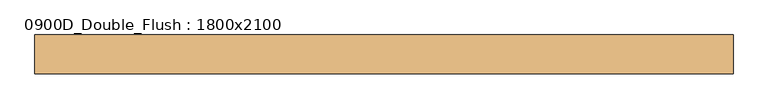
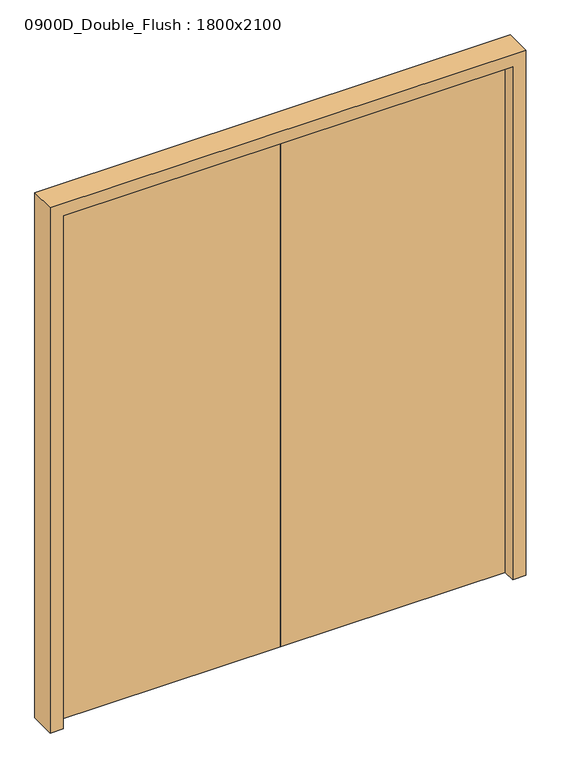
"""IFC4 building model written with IfcOpenShell, lengths in millimetres: door geometry, 0900D_Double_Flush : 1800x2100."""

from ifc_helpers import new_model, si_unit, origin, origin_with_axes, place, context, project, spatial, polyline, outline, extrude, faceted_brep, source, transform, mapped, element, save


def door_0900d_double_flush_1800x2100_c02a7b3c(model_context):
    return source(origin(), model_context, "Body", "SolidModel", [
        faceted_brep([(875.0, 276.6159807, 0.0), (825.0, 276.6159807, 0.0), (825.0, 326.6159807, 0.0), (850.0, 326.6159807, 0.0), (850.0, 376.6159807, 0.0), (875.0, 376.6159807, 0.0), (875.0, 276.6159807, 2100.0), (-925.0, 276.6159807, 2100.0), (-925.0, 276.6159807, 0.0), (-875.0, 276.6159807, 0.0), (-875.0, 276.6159807, 2050.0), (825.0, 276.6159807, 2050.0), (825.0, 326.6159807, 2050.0), (-875.0, 326.6159807, 2050.0), (-875.0, 326.6159807, 0.0), (-900.0, 326.6159807, 0.0), (-900.0, 326.6159807, 2075.0), (850.0, 326.6159807, 2075.0), (850.0, 376.6159807, 2075.0), (-900.0, 376.6159807, 2075.0), (-900.0, 376.6159807, 0.0), (-925.0, 376.6159807, 0.0), (-925.0, 376.6159807, 2100.0), (875.0, 376.6159807, 2100.0)], [[[0, 1, 2, 3, 4, 5]], [[1, 0, 6, 7, 8, 9, 10, 11]], [[2, 1, 11, 12]], [[3, 2, 12, 13, 14, 15, 16, 17]], [[4, 3, 17, 18]], [[5, 4, 18, 19, 20, 21, 22, 23]], [[0, 5, 23, 6]], [[7, 22, 21, 8]], [[8, 21, 20, 15, 14, 9]], [[13, 10, 9, 14]], [[19, 16, 15, 20]], [[12, 11, 10, 13]], [[18, 17, 16, 19]], [[6, 23, 22, 7]]]),
        extrude(outline(polyline([(-25.0, 326.6159807), (-900.0, 326.6159807), (-900.0, 376.6159807), (-25.0, 376.6159807), (-25.0, 326.6159807)])), origin_with_axes(), (0.0, 0.0, 1.0), 2075.0),
        extrude(outline(polyline([(850.0, 326.6159807), (-25.0, 326.6159807), (-25.0, 376.6159807), (850.0, 376.6159807), (850.0, 326.6159807)])), origin_with_axes(), (0.0, 0.0, 1.0), 2075.0),
    ])


if __name__ == "__main__":
    model = new_model("IFC4")
    model_context = context("Model", 3, world=origin())
    ifc_project = project(units=[si_unit("LENGTHUNIT", "METRE", prefix="MILLI")], contexts=[model_context])
    site = spatial("IfcSite", under=ifc_project)
    building = spatial("IfcBuilding", under=site)
    placement = place(None, origin())
    door_0900d_double_flush_1800x2100_shape = door_0900d_double_flush_1800x2100_c02a7b3c(model_context)
    element("IfcDoor", 1, ObjectType="0900D_Double_Flush : 1800x2100", at=placement, inside=building, context=model_context, shape_type="MappedRepresentation", body=[
        mapped(door_0900d_double_flush_1800x2100_shape, transform((0.0, 0.0, 0.0), x_axis=(1.0, 0.0, 0.0), y_axis=(0.0, 1.0, 0.0), z_axis=(0.0, 0.0, 1.0))),
    ])
    save(model, "model.ifc")
